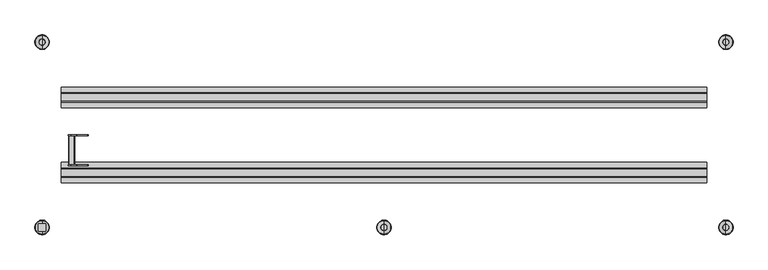
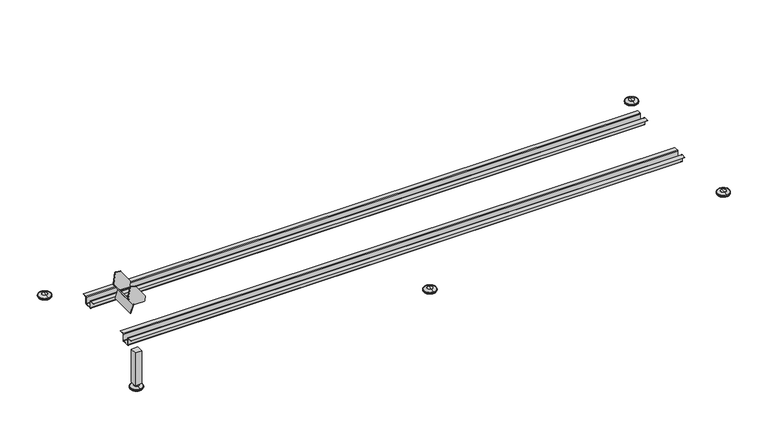
"""IFC4 building model written with IfcOpenShell, lengths in millimetres: proxy geometry."""

import ifcopenshell
import ifcopenshell.guid

model = None  # the IFC model being written
_history = None  # IfcOwnerHistory: only IFC2X3 demands one
_inside = {}  # id of a spatial element -> (the spatial element, [elements in it])
_under = {}  # id of a project, library or spatial element -> (it, [spatial elements below it])
_declared = {}  # id of a project -> (the project, [libraries it declares])
_typed = {}  # id of a type object -> (the type object, [elements of that type])
_made_of = {}  # id of a material, layer set ... -> (it, [elements and type objects made of it])


def new_model(schema):
    """Start an empty IFC model of exactly this schema.

    Asked for "IFC4X3", IfcOpenShell would pick the latest addendum, in which some entities
    have other attributes; the version numbers below select the first issue.
    IFC2X3 requires an IfcOwnerHistory on every rooted entity: one is made here for all.
    """
    global model, _history
    if schema == "IFC4X3":
        model = ifcopenshell.file(schema_version=(4, 3, 0, 0))
    else:
        model = ifcopenshell.file(schema=schema)
    _inside.clear()
    _under.clear()
    _declared.clear()
    _typed.clear()
    _made_of.clear()
    _history = None
    if model.schema == "IFC2X3":
        org = make("IfcOrganization", Name="unknown")
        user = make(
            "IfcPersonAndOrganization",
            ThePerson=make("IfcPerson", FamilyName="unknown"),
            TheOrganization=org,
        )
        app = make(
            "IfcApplication",
            ApplicationDeveloper=org,
            Version="unknown",
            ApplicationFullName="unknown",
            ApplicationIdentifier="unknown",
        )
        _history = make(
            "IfcOwnerHistory",
            OwningUser=user,
            OwningApplication=app,
            ChangeAction="ADDED",
            CreationDate=0,
        )
    return model


def make(cls, **values):
    """One entity of the class cls with the attributes given. An attribute that is None is left unset."""
    return model.create_entity(
        cls, **{name: value for name, value in values.items() if value is not None}
    )


def rooted(cls, **values):
    """An entity with a GlobalId (a new one), such as an element, a storey or a relation."""
    return make(cls, GlobalId=ifcopenshell.guid.new(), OwnerHistory=_history, **values)


def si_unit(unit_type, name, prefix=None):
    """IfcSIUnit, for example si_unit("LENGTHUNIT", "METRE", prefix="MILLI")."""
    return make("IfcSIUnit", UnitType=unit_type, Prefix=prefix, Name=name)


def assignment(units):
    """IfcUnitAssignment: the units of a project."""
    return None if units is None else make("IfcUnitAssignment", Units=units)


def point(xyz):
    """IfcCartesianPoint."""
    return None if xyz is None else make("IfcCartesianPoint", Coordinates=xyz)


def direction(xyz):
    """IfcDirection."""
    return None if xyz is None else make("IfcDirection", DirectionRatios=xyz)


def frame(location, z_axis=None, x_axis=None):
    """IfcAxis2Placement3D, a coordinate frame: its origin and axes. An axis left out is left unset."""
    return make(
        "IfcAxis2Placement3D",
        Location=point(location),
        Axis=direction(z_axis),
        RefDirection=direction(x_axis),
    )


def frame_2d(location, x_axis=None):
    """IfcAxis2Placement2D, a coordinate frame in the plane: its origin and x axis."""
    return make(
        "IfcAxis2Placement2D", Location=point(location), RefDirection=direction(x_axis)
    )


def origin():
    """The frame at (0, 0, 0) with its axes left unset."""
    return frame((0.0, 0.0, 0.0))


def place(relative_to, where):
    """IfcLocalPlacement: puts the frame where relative to a parent placement (None: the world)."""
    return make(
        "IfcLocalPlacement", PlacementRelTo=relative_to, RelativePlacement=where
    )


def context(
    kind, dimensions, precision=None, world=None, true_north=None, identifier=None
):
    """IfcGeometricRepresentationContext, for example the 3D "Model" context."""
    return make(
        "IfcGeometricRepresentationContext",
        ContextIdentifier=identifier,
        ContextType=kind,
        CoordinateSpaceDimension=dimensions,
        Precision=precision,
        WorldCoordinateSystem=world,
        TrueNorth=true_north,
    )


def project(units=None, contexts=None):
    """IfcProject with its units and contexts."""
    return rooted(
        "IfcProject",
        Name="project",
        RepresentationContexts=contexts,
        UnitsInContext=assignment(units),
    )


def spatial(cls, under=None, at=None, **own):
    """A site, building, storey or space (cls), placed at a placement, below another one or the project."""
    s = rooted(cls, ObjectPlacement=at, **own)
    if under is not None:
        _under.setdefault(under.id(), (under, []))[1].append(s)
    return s


def polyline(points):
    """IfcPolyline through the points."""
    return make("IfcPolyline", Points=[point(p) for p in points])


def circle_curve(where, radius):
    """IfcCircle in the frame where."""
    return make("IfcCircle", Position=where, Radius=radius)


def ellipse_curve(where, semi_axis1, semi_axis2):
    """IfcEllipse in the frame where."""
    return make(
        "IfcEllipse", Position=where, SemiAxis1=semi_axis1, SemiAxis2=semi_axis2
    )


def trimmed(basis, trim1, trim2, sense, master):
    """IfcTrimmedCurve: the piece of a basis curve between two trims."""
    return make(
        "IfcTrimmedCurve",
        BasisCurve=basis,
        Trim1=trim1,
        Trim2=trim2,
        SenseAgreement=sense,
        MasterRepresentation=master,
    )


def segment(curve, same_sense, transition):
    """IfcCompositeCurveSegment."""
    return make(
        "IfcCompositeCurveSegment",
        Transition=transition,
        SameSense=same_sense,
        ParentCurve=curve,
    )


def composite_curve(segments, self_intersect=None):
    """IfcCompositeCurve: segments joined end to end."""
    return make("IfcCompositeCurve", Segments=segments, SelfIntersect=self_intersect)


def outline(outer, holes=None, kind="AREA"):
    """IfcArbitraryClosedProfileDef: a profile drawn as a closed curve; with holes, ...WithVoids."""
    if holes is None:
        return make("IfcArbitraryClosedProfileDef", ProfileType=kind, OuterCurve=outer)
    return make(
        "IfcArbitraryProfileDefWithVoids",
        ProfileType=kind,
        OuterCurve=outer,
        InnerCurves=holes,
    )


def extrude(swept, where, along, depth):
    """IfcExtrudedAreaSolid: the profile swept, set in the frame where, extruded along a direction by depth."""
    return make(
        "IfcExtrudedAreaSolid",
        SweptArea=swept,
        Position=where,
        ExtrudedDirection=direction(along),
        Depth=depth,
    )


def shape(context_of_items, identifier, shape_type, items):
    """IfcShapeRepresentation: the items that make up one representation, for example the "Body"."""
    return make(
        "IfcShapeRepresentation",
        ContextOfItems=context_of_items,
        RepresentationIdentifier=identifier,
        RepresentationType=shape_type,
        Items=items,
    )


def source(mapping_origin, context_of_items, identifier, shape_type, items):
    """IfcRepresentationMap: a shape defined once, which mapped items show again and again."""
    return make(
        "IfcRepresentationMap",
        MappingOrigin=mapping_origin,
        MappedRepresentation=shape(context_of_items, identifier, shape_type, items),
    )


def transform(
    local_origin,
    x_axis=None,
    y_axis=None,
    z_axis=None,
    scale=None,
    scale2=None,
    scale3=None,
    uniform=True,
):
    """IfcCartesianTransformationOperator3D, or its non-uniform kind. x_axis, y_axis, z_axis: its Axis1, 2, 3."""
    if uniform:
        return make(
            "IfcCartesianTransformationOperator3D",
            Axis1=direction(x_axis),
            Axis2=direction(y_axis),
            LocalOrigin=point(local_origin),
            Scale=scale,
            Axis3=direction(z_axis),
        )
    return make(
        "IfcCartesianTransformationOperator3DnonUniform",
        Axis1=direction(x_axis),
        Axis2=direction(y_axis),
        LocalOrigin=point(local_origin),
        Scale=scale,
        Axis3=direction(z_axis),
        Scale2=scale2,
        Scale3=scale3,
    )


def mapped(mapping_source, mapping_target):
    """IfcMappedItem: shows the shape of a source again, moved by a transform."""
    return make(
        "IfcMappedItem", MappingSource=mapping_source, MappingTarget=mapping_target
    )


def made_of(thing, what):
    """Note that an element or type object is made of a material, layer set ...; save() writes the relation."""
    if what is not None:
        _made_of.setdefault(what.id(), (what, []))[1].append(thing)
    return thing


def element(
    cls,
    number,
    at=None,
    inside=None,
    cuts=None,
    type_object=None,
    material=None,
    context=None,
    identifier="Body",
    shape_type=None,
    held_by="IfcProductDefinitionShape",
    body=None,
    shapes=None,
    **own,
):
    """One element of the class cls, such as IfcWall. Its Tag is "e" and its number.

    at: its placement. inside: the storey or other place that contains it. cuts: it is an
    opening in that element (IfcRelVoidsElement). A single representation is given by context,
    identifier, shape_type and body (its items); several are given by shapes. held_by: the class
    of the entity that holds the representations. save() writes the other relations.
    """
    e = rooted(cls, Tag="e%d" % number, ObjectPlacement=at, **own)
    if body is not None:
        shapes = [shape(context, identifier, shape_type, body)]
    if shapes is not None:
        e.Representation = make(held_by, Representations=shapes)
    if inside is not None:
        _inside.setdefault(inside.id(), (inside, []))[1].append(e)
    if cuts is not None:
        rooted(
            "IfcRelVoidsElement", RelatingBuildingElement=cuts, RelatedOpeningElement=e
        )
    if type_object is not None:
        _typed.setdefault(type_object.id(), (type_object, []))[1].append(e)
    return made_of(e, material)


def aggregate(whole, parts):
    """IfcRelAggregates: a whole, such as a stair, and the parts it consists of."""
    return rooted("IfcRelAggregates", RelatingObject=whole, RelatedObjects=parts)


def save(model, path):
    """Write the relations noted so far, then the file.

    IfcRelAggregates (storeys below a building ...), IfcRelContainedInSpatialStructure (elements
    in a storey), IfcRelDefinesByType, IfcRelAssociatesMaterial and IfcRelDeclares: one each for
    every whole, place, type object, material and project.
    """
    for whole, parts in _under.values():
        aggregate(whole, parts)
    for where, things in _inside.values():
        rooted(
            "IfcRelContainedInSpatialStructure",
            RelatedElements=things,
            RelatingStructure=where,
        )
    for kind, things in _typed.values():
        rooted("IfcRelDefinesByType", RelatedObjects=things, RelatingType=kind)
    for what, things in _made_of.values():
        rooted("IfcRelAssociatesMaterial", RelatedObjects=things, RelatingMaterial=what)
    for by, libraries in _declared.values():
        rooted("IfcRelDeclares", RelatingContext=by, RelatedDefinitions=libraries)
    model.write(path)


def plane_surface(at):
    """IfcPlane: the flat surface through the origin of the frame at, square to its z axis."""
    return make("IfcPlane", Position=at)


def cylinder_surface(at, radius):
    """IfcCylindricalSurface: all points at the distance radius from the z axis of the frame at."""
    return make("IfcCylindricalSurface", Position=at, Radius=radius)


def revolved_surface(curve, axis_point, axis_direction):
    """IfcSurfaceOfRevolution: the curve turned about the line through axis_point along axis_direction."""
    return make(
        "IfcSurfaceOfRevolution",
        SweptCurve=make("IfcArbitraryOpenProfileDef", ProfileType="CURVE", Curve=curve),
        AxisPosition=make("IfcAxis1Placement", Location=point(axis_point), Axis=direction(axis_direction)),
    )


def advanced_brep(points, edges, surfaces, faces):
    """IfcAdvancedBrep: a solid bounded by faces that lie on surfaces and meet in shared edges.

    An edge is (start, end): straight between two places in points (the first is 0);
    or (start, end, curve); or (start, end, curve, False) where it runs against its curve.
    A face is (place in surfaces, loops), or (place, loops, False) where it looks against
    its surface's normal. A loop lists edges by number (the first is 1), with a minus sign
    where the edge is run from its end to its start. The first loop is the outer one.
    """
    corners = [point(p) for p in points]
    vertices = [make("IfcVertexPoint", VertexGeometry=c) for c in corners]
    made = []
    for start, end, *more in edges:
        made.append(
            make(
                "IfcEdgeCurve",
                EdgeStart=vertices[start],
                EdgeEnd=vertices[end],
                EdgeGeometry=more[0] if more else make("IfcPolyline", Points=[corners[start], corners[end]]),
                SameSense=more[1] if len(more) > 1 else True,
            )
        )
    hull = []
    for where, loops, *sense in faces:
        bounds = []
        for j, loop in enumerate(loops):
            ring = [make("IfcOrientedEdge", EdgeElement=made[abs(k) - 1], Orientation=k > 0) for k in loop]
            bounds.append(
                make(
                    "IfcFaceOuterBound" if j == 0 else "IfcFaceBound",
                    Bound=make("IfcEdgeLoop", EdgeList=ring),
                    Orientation=True,
                )
            )
        hull.append(make("IfcAdvancedFace", Bounds=bounds, FaceSurface=surfaces[where], SameSense=sense[0] if sense else True))
    return make("IfcAdvancedBrep", Outer=make("IfcClosedShell", CfsFaces=hull))


def parking_1503d204(model_context):
    return source(origin(), model_context, "Body", "SolidModel", [
        advanced_brep(
        [(0.0, -332.0, 0.0), (0.0, -286.0, 0.0), (0.0, -309.0, 0.0), (0.0, -333.0, 1.0), (0.0, -285.0, 1.0), (0.0, -333.0, 4.3195147), (0.0, -285.0, 4.3195147), (0.0, -332.364942, 5.250545), (0.0, -285.635058, 5.250545), (0.0, -320.6881438, 9.8275756), (0.0, -297.3118562, 9.8275756), (0.0, -319.7757888, 10.0), (0.0, -298.2242112, 10.0), (0.0, -309.0, 10.0)],
        [
            (0, 1, circle_curve(frame((0.0, -309.0, 0.0), z_axis=(0.0, 0.0, -1.0), x_axis=(0.0, 1.0, 0.0)), 23.0)),
            (1, 2),
            (2, 0),
            (1, 0, circle_curve(frame((0.0, -309.0, 0.0), z_axis=(0.0, 0.0, -1.0), x_axis=(0.0, 1.0, 0.0)), 23.0)),
            (3, 4, circle_curve(frame((0.0, -309.0, 1.0), z_axis=(0.0, 0.0, -1.0), x_axis=(0.0, 1.0, 0.0)), 24.0)),
            (4, 1, circle_curve(frame((0.0, -286.0, 1.0), z_axis=(-1.0, 0.0, 0.0), x_axis=(0.0, -1.0, 0.0)), 1.0)),
            (0, 3, circle_curve(frame((0.0, -332.0, 1.0), z_axis=(-1.0, 0.0, 0.0), x_axis=(0.0, 1.0, 0.0)), 1.0)),
            (4, 3, circle_curve(frame((0.0, -309.0, 1.0), z_axis=(0.0, 0.0, -1.0), x_axis=(0.0, 1.0, 0.0)), 24.0)),
            (5, 6, circle_curve(frame((0.0, -309.0, 4.3195147), z_axis=(0.0, 0.0, -1.0), x_axis=(0.0, 1.0, 0.0)), 24.0)),
            (6, 4),
            (3, 5),
            (6, 5, circle_curve(frame((0.0, -309.0, 4.3195147), z_axis=(0.0, 0.0, -1.0), x_axis=(0.0, 1.0, 0.0)), 24.0)),
            (7, 8, circle_curve(frame((0.0, -309.0, 5.250545), z_axis=(0.0, 0.0, -1.0), x_axis=(0.0, 1.0, 0.0)), 23.364942)),
            (8, 6, circle_curve(frame((0.0, -286.0, 4.3195147), z_axis=(-1.0, 0.0, 0.0), x_axis=(0.0, -1.0, 0.0)), 1.0)),
            (5, 7, circle_curve(frame((0.0, -332.0, 4.3195147), z_axis=(-1.0, 0.0, 0.0), x_axis=(0.0, 1.0, 0.0)), 1.0)),
            (8, 7, circle_curve(frame((0.0, -309.0, 5.250545), z_axis=(0.0, 0.0, -1.0), x_axis=(0.0, 1.0, 0.0)), 23.364942)),
            (9, 10, circle_curve(frame((0.0, -309.0, 9.8275756), z_axis=(0.0, 0.0, -1.0), x_axis=(0.0, 1.0, 0.0)), 11.6881438)),
            (10, 8),
            (7, 9),
            (10, 9, circle_curve(frame((0.0, -309.0, 9.8275756), z_axis=(0.0, 0.0, -1.0), x_axis=(0.0, 1.0, 0.0)), 11.6881438)),
            (11, 12, circle_curve(frame((0.0, -309.0, 10.0), z_axis=(0.0, 0.0, -1.0), x_axis=(0.0, 1.0, 0.0)), 10.7757888)),
            (12, 10, circle_curve(frame((0.0, -298.2242112, 7.5), z_axis=(-1.0, 0.0, 0.0), x_axis=(0.0, -1.0, 0.0)), 2.5)),
            (9, 11, circle_curve(frame((0.0, -319.7757888, 7.5), z_axis=(-1.0, 0.0, 0.0), x_axis=(0.0, 1.0, 0.0)), 2.5)),
            (12, 11, circle_curve(frame((0.0, -309.0, 10.0), z_axis=(0.0, 0.0, -1.0), x_axis=(0.0, 1.0, 0.0)), 10.7757888)),
            (13, 12),
            (11, 13),
        ],
        [
            plane_surface(frame((0.0, -309.0, 0.0), z_axis=(0.0, 0.0, -1.0), x_axis=(0.0, 1.0, 0.0))),
            revolved_surface(trimmed(ellipse_curve(frame((0.0, -286.0, 1.0), z_axis=(1.0, 0.0, 0.0), x_axis=(0.0, -1.0, 0.0)), 1.0, 1.0), [point((0.0, -286.0, 0.0))], [point((0.0, -285.0, 1.0))], True, "CARTESIAN"), (0.0, -309.0, 17.9), (0.0, 0.0, 1.0)),
            cylinder_surface(frame((0.0, -309.0, 17.9), z_axis=(0.0, 0.0, 1.0), x_axis=(0.0, 1.0, 0.0)), 24.0),
            revolved_surface(trimmed(ellipse_curve(frame((0.0, -286.0, 4.3195147), z_axis=(1.0, 0.0, 0.0), x_axis=(0.0, -1.0, 0.0)), 1.0, 1.0), [point((0.0, -285.0, 4.3195147))], [point((0.0, -285.635058, 5.250545))], True, "CARTESIAN"), (0.0, -309.0, 17.9), (0.0, 0.0, 1.0)),
            revolved_surface(polyline([(0.0, -285.635058, 5.250545), (0.0, -297.3118562, 9.8275756)]), (0.0, -309.0, 17.9), (0.0, 0.0, 1.0)),
            revolved_surface(trimmed(ellipse_curve(frame((0.0, -298.2242112, 7.5), z_axis=(1.0, 0.0, 0.0), x_axis=(0.0, -1.0, 0.0)), 2.5, 2.5), [point((0.0, -297.3118562, 9.8275756))], [point((0.0, -298.2242112, 10.0))], True, "CARTESIAN"), (0.0, -309.0, 17.9), (0.0, 0.0, 1.0)),
            plane_surface(frame((0.0, -309.0, 10.0), z_axis=(0.0, 0.0, 1.0), x_axis=(0.0, 1.0, 0.0))),
        ],
        [
            (0, [[1, 2, 3]]),
            (0, [[4, -3, -2]]),
            (1, [[5, 6, -1, 7]]),
            (1, [[8, -7, -4, -6]]),
            (2, [[9, 10, -5, 11]]),
            (2, [[12, -11, -8, -10]]),
            (3, [[13, 14, -9, 15]]),
            (3, [[16, -15, -12, -14]]),
            (4, [[17, 18, -13, 19]]),
            (4, [[20, -19, -16, -18]]),
            (5, [[21, 22, -17, 23]]),
            (5, [[24, -23, -20, -22]]),
            (6, [[25, -21, 26]]),
            (6, [[-26, -24, -25]]),
        ],
    ),
        extrude(outline(polyline([(-1125.0, -296.5), (-1125.0, -321.5), (-1150.0, -321.5), (-1150.0, -296.5), (-1125.0, -296.5)])), frame((0.0, 0.0, 17.9), z_axis=(0.0, 0.0, 1.0), x_axis=(1.0, 0.0, 0.0)), (0.0, 0.0, 1.0), 134.65),
        advanced_brep(
        [(-1031.4566604, -103.0, 176.1055359), (-1031.330887, -103.0, 175.1906435), (-1042.163358, -103.0, 144.8907715), (-1041.5583673, -103.0, 143.6124968), (-1040.1459182, -103.0, 143.1075338), (-1028.1579667, -103.0, 176.6394396), (-1027.2402319, -103.0, 175.3445984), (-1025.5970785, -103.0, 174.501132), (-989.2973293, -103.0, 174.7086743), (-987.3290745, -103.0, 176.4243368), (-984.5898162, -103.0, 195.4985127), (-984.9377872, -103.0, 196.9393185), (-1021.2239932, -103.0, 248.1358871), (-1022.5196822, -103.0, 248.9509552), (-1040.6431091, -103.0, 252.0398703), (-1042.9507077, -103.0, 250.404331), (-1050.0789734, -103.0, 208.5810382), (-1049.7391231, -103.0, 207.0885076), (-1047.0377839, -103.0, 203.2771614), (-1049.4853619, -103.0, 201.54241), (-1031.4566604, -1.0, 176.1055359), (-1049.4853619, -1.0, 201.54241), (-1047.0377839, -1.0, 203.2771614), (-1049.7391231, -1.0, 207.0885076), (-1050.0789734, -1.0, 208.5810382), (-1042.9507077, -1.0, 250.404331), (-1040.6431091, -1.0, 252.0398703), (-1022.5196822, -1.0, 248.9509552), (-1021.2239932, -1.0, 248.1358871), (-984.9377872, -1.0, 196.9393185), (-984.5898162, -1.0, 195.4985127), (-987.3290745, -1.0, 176.4243368), (-989.2973293, -1.0, 174.7086743), (-1025.5970785, -1.0, 174.501132), (-1027.2402319, -1.0, 175.3445984), (-1028.1579667, -1.0, 176.6394396), (-1040.1459182, -1.0, 143.1075338), (-1041.5583673, -1.0, 143.6124968), (-1042.163358, -1.0, 144.8907715), (-1031.330887, -1.0, 175.1906435), (-1028.1579667, -3.5, 176.6394396), (-1028.1579667, -100.5, 176.6394396), (-1047.0377839, -3.5, 203.2771614), (-1047.0377839, -100.5, 203.2771614), (-1027.2402319, -3.5, 175.3445984), (-1025.5970785, -3.5, 174.501132), (-989.2973293, -3.5, 174.7086743), (-987.3290745, -3.5, 176.4243368), (-984.5898162, -3.5, 195.4985127), (-984.9377872, -3.5, 196.9393185), (-1021.2239932, -3.5, 248.1358871), (-1022.5196822, -3.5, 248.9509552), (-1040.6431091, -3.5, 252.0398703), (-1042.9507077, -3.5, 250.404331), (-1050.0789734, -3.5, 208.5810382), (-1049.7391231, -3.5, 207.0885076), (-1049.7391231, -100.5, 207.0885076), (-1050.0789734, -100.5, 208.5810382), (-1042.9507077, -100.5, 250.404331), (-1040.6431091, -100.5, 252.0398703), (-1022.5196822, -100.5, 248.9509552), (-1021.2239932, -100.5, 248.1358871), (-984.9377872, -100.5, 196.9393185), (-984.5898162, -100.5, 195.4985127), (-987.3290745, -100.5, 176.4243368), (-989.2973293, -100.5, 174.7086743), (-1025.5970785, -100.5, 174.501132), (-1027.2402319, -100.5, 175.3445984)],
        [
            (0, 1, circle_curve(frame((-1032.2725197, -103.0, 175.5272855), z_axis=(0.0, 1.0, 0.0), x_axis=(1.0, 0.0, 0.0)), 1.0)),
            (1, 2),
            (2, 3, circle_curve(frame((-1041.2217253, -103.0, 144.5541295), z_axis=(0.0, -1.0, 0.0), x_axis=(1.0, 0.0, 0.0)), 1.0)),
            (3, 4),
            (4, 5),
            (5, 6),
            (6, 7, circle_curve(frame((-1025.6085132, -103.0, 176.5010993), z_axis=(0.0, -1.0, 0.0), x_axis=(-0.4566697015537781, 0.0, -0.8896363210226881)), 2.0)),
            (7, 8),
            (8, 9, circle_curve(frame((-989.3087641, -103.0, 176.7086416), z_axis=(0.0, -1.0, 0.0), x_axis=(0.6570803591515552, 0.0, -0.7538205367441665)), 2.0)),
            (9, 10),
            (10, 11, circle_curve(frame((-986.5695058, -103.0, 195.7828176), z_axis=(0.0, -1.0, 0.0), x_axis=(0.9720529269865053, 0.0, 0.2347618093663618)), 2.0)),
            (11, 12),
            (12, 13, circle_curve(frame((-1022.8557118, -103.0, 246.9793862), z_axis=(0.0, -1.0, 0.0), x_axis=(0.5324688498010414, 0.0, 0.8464495992033761)), 2.0)),
            (13, 14),
            (14, 15, circle_curve(frame((-1040.9791387, -103.0, 250.0683014), z_axis=(0.0, -1.0, 0.0), x_axis=(-0.5782504529370286, 0.0, 0.8158593099782101)), 2.0)),
            (15, 16),
            (16, 17, circle_curve(frame((-1048.1074044, -103.0, 208.2450085), z_axis=(0.0, -1.0, 0.0), x_axis=(-0.9750425859942595, 0.0, -0.22201791706442733)), 2.0)),
            (17, 18),
            (18, 19),
            (19, 0),
            (20, 21),
            (21, 22),
            (22, 23),
            (23, 24, circle_curve(frame((-1048.1074044, -1.0, 208.2450085), z_axis=(0.0, 1.0, 0.0), x_axis=(-0.9750425859942596, 0.0, -0.22201791706442736)), 2.0)),
            (24, 25),
            (25, 26, circle_curve(frame((-1040.9791387, -1.0, 250.0683014), z_axis=(0.0, 1.0, 0.0), x_axis=(-0.5782504529370287, 0.0, 0.8158593099782102)), 2.0)),
            (26, 27),
            (27, 28, circle_curve(frame((-1022.8557118, -1.0, 246.9793862), z_axis=(0.0, 1.0, 0.0), x_axis=(0.5324688498010414, 0.0, 0.8464495992033761)), 2.0)),
            (28, 29),
            (29, 30, circle_curve(frame((-986.5695058, -1.0, 195.7828176), z_axis=(0.0, 1.0, 0.0), x_axis=(0.9720529269865053, 0.0, 0.2347618093663618)), 2.0)),
            (30, 31),
            (31, 32, circle_curve(frame((-989.3087641, -1.0, 176.7086416), z_axis=(0.0, 1.0, 0.0), x_axis=(0.6570803591515552, 0.0, -0.7538205367441665)), 2.0)),
            (32, 33),
            (33, 34, circle_curve(frame((-1025.6085132, -1.0, 176.5010993), z_axis=(0.0, 1.0, 0.0), x_axis=(-0.4566697015537781, 0.0, -0.8896363210226881)), 2.0)),
            (34, 35),
            (35, 36),
            (36, 37),
            (37, 38, circle_curve(frame((-1041.2217253, -1.0, 144.5541295), z_axis=(0.0, 1.0, 0.0), x_axis=(1.0, 0.0, 0.0)), 1.0)),
            (38, 39),
            (39, 20, circle_curve(frame((-1032.2725197, -1.0, 175.5272855), z_axis=(0.0, -1.0, 0.0), x_axis=(1.0, 0.0, 0.0)), 1.0)),
            (0, 20),
            (39, 1),
            (38, 2),
            (37, 3),
            (36, 4),
            (35, 40),
            (40, 41),
            (41, 5),
            (40, 42),
            (42, 43),
            (43, 41),
            (18, 43),
            (42, 22),
            (21, 19),
            (44, 45, circle_curve(frame((-1025.6085132, -3.5, 176.5010993), z_axis=(0.0, -1.0, 0.0), x_axis=(-0.4566697015537781, 0.0, -0.8896363210226881)), 2.0)),
            (45, 46),
            (46, 47, circle_curve(frame((-989.3087641, -3.5, 176.7086416), z_axis=(0.0, -1.0, 0.0), x_axis=(0.6570803591515552, 0.0, -0.7538205367441665)), 2.0)),
            (47, 48),
            (48, 49, circle_curve(frame((-986.5695058, -3.5, 195.7828176), z_axis=(0.0, -1.0, 0.0), x_axis=(0.9720529269865053, 0.0, 0.2347618093663618)), 2.0)),
            (49, 50),
            (50, 51, circle_curve(frame((-1022.8557118, -3.5, 246.9793862), z_axis=(0.0, -1.0, 0.0), x_axis=(0.5324688498010414, 0.0, 0.8464495992033761)), 2.0)),
            (51, 52),
            (52, 53, circle_curve(frame((-1040.9791387, -3.5, 250.0683014), z_axis=(0.0, -1.0, 0.0), x_axis=(-0.5782504529370287, 0.0, 0.8158593099782102)), 2.0)),
            (53, 54),
            (54, 55, circle_curve(frame((-1048.1074044, -3.5, 208.2450085), z_axis=(0.0, -1.0, 0.0), x_axis=(-0.9750425859942596, 0.0, -0.22201791706442736)), 2.0)),
            (55, 42),
            (40, 44),
            (44, 34),
            (33, 45),
            (32, 46),
            (31, 47),
            (30, 48),
            (29, 49),
            (28, 50),
            (27, 51),
            (26, 52),
            (25, 53),
            (24, 54),
            (23, 55),
            (56, 57, circle_curve(frame((-1048.1074044, -100.5, 208.2450085), z_axis=(0.0, 1.0, 0.0), x_axis=(-0.9750425859942595, 0.0, -0.22201791706442733)), 2.0)),
            (57, 58),
            (58, 59, circle_curve(frame((-1040.9791387, -100.5, 250.0683014), z_axis=(0.0, 1.0, 0.0), x_axis=(-0.5782504529370286, 0.0, 0.8158593099782101)), 2.0)),
            (59, 60),
            (60, 61, circle_curve(frame((-1022.8557118, -100.5, 246.9793862), z_axis=(0.0, 1.0, 0.0), x_axis=(0.5324688498010414, 0.0, 0.8464495992033761)), 2.0)),
            (61, 62),
            (62, 63, circle_curve(frame((-986.5695058, -100.5, 195.7828176), z_axis=(0.0, 1.0, 0.0), x_axis=(0.9720529269865053, 0.0, 0.2347618093663618)), 2.0)),
            (63, 64),
            (64, 65, circle_curve(frame((-989.3087641, -100.5, 176.7086416), z_axis=(0.0, 1.0, 0.0), x_axis=(0.6570803591515552, 0.0, -0.7538205367441665)), 2.0)),
            (65, 66),
            (66, 67, circle_curve(frame((-1025.6085132, -100.5, 176.5010993), z_axis=(0.0, 1.0, 0.0), x_axis=(-0.4566697015537781, 0.0, -0.8896363210226881)), 2.0)),
            (67, 41),
            (43, 56),
            (6, 67),
            (66, 7),
            (65, 8),
            (64, 9),
            (63, 10),
            (62, 11),
            (61, 12),
            (60, 13),
            (59, 14),
            (58, 15),
            (57, 16),
            (56, 17),
        ],
        [
            plane_surface(frame((-1031.2725197, -103.0, 175.5272855), z_axis=(0.0, -1.0, 0.0), x_axis=(0.0, 0.0, -1.0))),
            plane_surface(frame((-1031.2725197, -1.0, 175.5272855), z_axis=(0.0, 1.0, 0.0), x_axis=(0.0, 0.0, 1.0))),
            revolved_surface(polyline([(-1031.2725197, -1.0, 175.5272855), (-1031.2725197, -103.0, 175.5272855)]), (-1032.2725197, -1.0, 175.5272855), (0.0, 1.0, 0.0)),
            plane_surface(frame((-1031.330887, -103.0, 175.1906435), z_axis=(-0.9416327162155284, 0.0, 0.3366419875068562), x_axis=(0.0, 1.0, 0.0))),
            cylinder_surface(frame((-1041.2217253, -1.0, 144.5541295), z_axis=(0.0, -1.0, 0.0), x_axis=(1.0, 0.0, 0.0)), 1.0),
            plane_surface(frame((-1041.5583673, -103.0, 143.6124968), z_axis=(-0.33664198750687097, 0.0, -0.9416327162155231), x_axis=(0.0, 1.0, 0.0))),
            plane_surface(frame((-1040.1459182, -103.0, 143.1075338), z_axis=(0.941632716215527, 0.0, -0.33664198750686003), x_axis=(0.0, 1.0, 0.0))),
            plane_surface(frame((-1028.1579667, -103.0, 176.6394396), z_axis=(0.8158593099782089, 0.0, 0.5782504529370305), x_axis=(0.0, 1.0, 0.0))),
            plane_surface(frame((-1047.0377839, -103.0, 203.2771614), z_axis=(-0.5782504529370297, 0.0, 0.8158593099782094), x_axis=(0.0, 1.0, 0.0))),
            plane_surface(frame((-1049.4853619, -103.0, 201.54241), z_axis=(-0.8158593099782108, 0.0, -0.5782504529370279), x_axis=(0.0, 1.0, 0.0))),
            plane_surface(frame((-1026.5218526, -3.5, 174.7218267), z_axis=(0.0, -1.0, 0.0), x_axis=(0.889636321022688, 0.0, -0.4566697015537781))),
            cylinder_surface(frame((-1025.6085132, -1.0, 176.5010993), z_axis=(0.0, -1.0000000000000002, 0.0), x_axis=(-0.4566697015537781, 0.0, -0.8896363210226881)), 2.0),
            plane_surface(frame((-1025.5970785, -3.5, 174.501132), z_axis=(0.005717365053278804, 0.0, -0.9999836557348564), x_axis=(0.0, 1.0, 0.0))),
            cylinder_surface(frame((-989.3087641, -1.0, 176.7086416), z_axis=(0.0, -1.0, 0.0), x_axis=(0.6570803591515552, 0.0, -0.7538205367441665)), 2.0),
            plane_surface(frame((-987.3290745, -3.5, 176.4243368), z_axis=(0.9898447789861541, 0.0, -0.14215243055907198), x_axis=(0.0, 1.0, 0.0))),
            cylinder_surface(frame((-986.5695058, -1.0, 195.7828176), z_axis=(0.0, -1.0, 0.0), x_axis=(0.9720529269865053, 0.0, 0.2347618093663618)), 2.0),
            plane_surface(frame((-984.9377872, -3.5, 196.9393185), z_axis=(0.8158593099782079, 0.0, 0.578250452937032), x_axis=(0.0, 1.0, 0.0))),
            cylinder_surface(frame((-1022.8557118, -1.0, 246.9793862), z_axis=(0.0, -1.0, 0.0), x_axis=(0.5324688498010414, 0.0, 0.8464495992033761)), 2.0),
            plane_surface(frame((-1022.5196822, -3.5, 248.9509552), z_axis=(0.16801483408380705, 0.0, 0.985784467075735), x_axis=(0.0, 1.0, 0.0))),
            cylinder_surface(frame((-1040.9791387, -1.0, 250.0683014), z_axis=(0.0, -1.0, 0.0), x_axis=(-0.5782504529370287, 0.0, 0.8158593099782102)), 2.0),
            plane_surface(frame((-1042.9507077, -3.5, 250.404331), z_axis=(-0.9857844670757349, 0.0, 0.1680148340838081), x_axis=(0.0, 1.0, 0.0))),
            cylinder_surface(frame((-1048.1074044, -1.0, 208.2450085), z_axis=(0.0, -1.0, 0.0), x_axis=(-0.9750425859942596, 0.0, -0.22201791706442736)), 2.0),
            plane_surface(frame((-1049.7391231, -3.5, 207.0885076), z_axis=(-0.8158593099782115, 0.0, -0.5782504529370269), x_axis=(0.0, 1.0, 0.0))),
            plane_surface(frame((-1026.5218526, -100.5, 174.7218267), z_axis=(0.0, 1.0, 0.0), x_axis=(-0.889636321022688, 0.0, 0.4566697015537781))),
            cylinder_surface(frame((-1025.6085132, -100.5, 176.5010993), z_axis=(0.0, -1.0000000000000002, 0.0), x_axis=(-0.4566697015537781, 0.0, -0.8896363210226881)), 2.0),
            plane_surface(frame((-1025.5970785, -103.0, 174.501132), z_axis=(0.005717365053278804, 0.0, -0.9999836557348564), x_axis=(0.0, 1.0, 0.0))),
            cylinder_surface(frame((-989.3087641, -100.5, 176.7086416), z_axis=(0.0, -0.9999999999999999, 0.0), x_axis=(0.6570803591515552, 0.0, -0.7538205367441665)), 2.0),
            plane_surface(frame((-987.3290745, -103.0, 176.4243368), z_axis=(0.9898447789861541, 0.0, -0.14215243055907198), x_axis=(0.0, 1.0, 0.0))),
            cylinder_surface(frame((-986.5695058, -100.5, 195.7828176), z_axis=(0.0, -1.0, 0.0), x_axis=(0.9720529269865053, 0.0, 0.2347618093663618)), 2.0),
            plane_surface(frame((-984.9377872, -103.0, 196.9393185), z_axis=(0.815859309978208, 0.0, 0.5782504529370317), x_axis=(0.0, 1.0, 0.0))),
            cylinder_surface(frame((-1022.8557118, -100.5, 246.9793862), z_axis=(0.0, -1.0, 0.0), x_axis=(0.5324688498010414, 0.0, 0.8464495992033761)), 2.0),
            plane_surface(frame((-1022.5196822, -103.0, 248.9509552), z_axis=(0.1680148340838065, 0.0, 0.9857844670757351), x_axis=(0.0, 1.0, 0.0))),
            cylinder_surface(frame((-1040.9791387, -100.5, 250.0683014), z_axis=(0.0, -1.0, 0.0), x_axis=(-0.5782504529370286, 0.0, 0.8158593099782101)), 2.0),
            plane_surface(frame((-1042.9507077, -103.0, 250.404331), z_axis=(-0.9857844670757349, 0.0, 0.1680148340838081), x_axis=(0.0, 1.0, 0.0))),
            cylinder_surface(frame((-1048.1074044, -100.5, 208.2450085), z_axis=(0.0, -1.0, 0.0), x_axis=(-0.9750425859942595, 0.0, -0.22201791706442733)), 2.0),
            plane_surface(frame((-1049.7391231, -103.0, 207.0885076), z_axis=(-0.8158593099782115, 0.0, -0.5782504529370269), x_axis=(0.0, 1.0, 0.0))),
        ],
        [
            (0, [[1, 2, 3, 4, 5, 6, 7, 8, 9, 10, 11, 12, 13, 14, 15, 16, 17, 18, 19, 20]]),
            (1, [[21, 22, 23, 24, 25, 26, 27, 28, 29, 30, 31, 32, 33, 34, 35, 36, 37, 38, 39, 40]]),
            (2, [[-1, 41, -40, 42]]),
            (3, [[-2, -42, -39, 43]]),
            (4, [[-3, -43, -38, 44]]),
            (5, [[-4, -44, -37, 45]]),
            (6, [[-5, -45, -36, 46, 47, 48]]),
            (7, [[49, 50, 51, -47]]),
            (8, [[-19, 52, -50, 53, -22, 54]]),
            (9, [[-20, -54, -21, -41]]),
            (10, [[55, 56, 57, 58, 59, 60, 61, 62, 63, 64, 65, 66, -49, 67]]),
            (11, [[-55, 68, -34, 69]]),
            (12, [[-56, -69, -33, 70]]),
            (13, [[-57, -70, -32, 71]]),
            (14, [[-58, -71, -31, 72]]),
            (15, [[-59, -72, -30, 73]]),
            (16, [[-60, -73, -29, 74]]),
            (17, [[-61, -74, -28, 75]]),
            (18, [[-62, -75, -27, 76]]),
            (19, [[-63, -76, -26, 77]]),
            (20, [[-64, -77, -25, 78]]),
            (21, [[-65, -78, -24, 79]]),
            (22, [[-68, -67, -46, -35]]),
            (22, [[-79, -23, -53, -66]]),
            (23, [[80, 81, 82, 83, 84, 85, 86, 87, 88, 89, 90, 91, -51, 92]]),
            (24, [[-7, 93, -90, 94]]),
            (25, [[-8, -94, -89, 95]]),
            (26, [[-9, -95, -88, 96]]),
            (27, [[-10, -96, -87, 97]]),
            (28, [[-11, -97, -86, 98]]),
            (29, [[-12, -98, -85, 99]]),
            (30, [[-13, -99, -84, 100]]),
            (31, [[-14, -100, -83, 101]]),
            (32, [[-15, -101, -82, 102]]),
            (33, [[-16, -102, -81, 103]]),
            (34, [[-17, -103, -80, 104]]),
            (35, [[-93, -6, -48, -91]]),
            (35, [[-104, -92, -52, -18]]),
        ],
    ),
        advanced_brep(
        [(1137.5, 330.5, 0.0), (1137.5, 284.5, 0.0), (1137.5, 307.5, 0.0), (1137.5, 331.5, 1.0), (1137.5, 283.5, 1.0), (1137.5, 331.5, 4.3195147), (1137.5, 283.5, 4.3195147), (1137.5, 330.864942, 5.250545), (1137.5, 284.135058, 5.250545), (1137.5, 319.1881438, 9.8275756), (1137.5, 295.8118562, 9.8275756), (1137.5, 318.2757888, 10.0), (1137.5, 296.7242112, 10.0), (1137.5, 307.5, 10.0)],
        [
            (0, 1, circle_curve(frame((1137.5, 307.5, 0.0), z_axis=(0.0, 0.0, -1.0), x_axis=(0.0, -1.0, 0.0)), 23.0)),
            (1, 2),
            (2, 0),
            (1, 0, circle_curve(frame((1137.5, 307.5, 0.0), z_axis=(0.0, 0.0, -1.0), x_axis=(0.0, -1.0, 0.0)), 23.0)),
            (3, 4, circle_curve(frame((1137.5, 307.5, 1.0), z_axis=(0.0, 0.0, -1.0), x_axis=(0.0, -1.0, 0.0)), 24.0)),
            (4, 1, circle_curve(frame((1137.5, 284.5, 1.0), z_axis=(1.0, 0.0, 0.0), x_axis=(0.0, 1.0, 0.0)), 1.0)),
            (0, 3, circle_curve(frame((1137.5, 330.5, 1.0), z_axis=(1.0, 0.0, 0.0), x_axis=(0.0, -1.0, 0.0)), 1.0)),
            (4, 3, circle_curve(frame((1137.5, 307.5, 1.0), z_axis=(0.0, 0.0, -1.0), x_axis=(0.0, -1.0, 0.0)), 24.0)),
            (5, 6, circle_curve(frame((1137.5, 307.5, 4.3195147), z_axis=(0.0, 0.0, -1.0), x_axis=(0.0, -1.0, 0.0)), 24.0)),
            (6, 4),
            (3, 5),
            (6, 5, circle_curve(frame((1137.5, 307.5, 4.3195147), z_axis=(0.0, 0.0, -1.0), x_axis=(0.0, -1.0, 0.0)), 24.0)),
            (7, 8, circle_curve(frame((1137.5, 307.5, 5.250545), z_axis=(0.0, 0.0, -1.0), x_axis=(0.0, -1.0, 0.0)), 23.364942)),
            (8, 6, circle_curve(frame((1137.5, 284.5, 4.3195147), z_axis=(1.0, 0.0, 0.0), x_axis=(0.0, 1.0, 0.0)), 1.0)),
            (5, 7, circle_curve(frame((1137.5, 330.5, 4.3195147), z_axis=(1.0, 0.0, 0.0), x_axis=(0.0, -1.0, 0.0)), 1.0)),
            (8, 7, circle_curve(frame((1137.5, 307.5, 5.250545), z_axis=(0.0, 0.0, -1.0), x_axis=(0.0, -1.0, 0.0)), 23.364942)),
            (9, 10, circle_curve(frame((1137.5, 307.5, 9.8275756), z_axis=(0.0, 0.0, -1.0), x_axis=(0.0, -1.0, 0.0)), 11.6881438)),
            (10, 8),
            (7, 9),
            (10, 9, circle_curve(frame((1137.5, 307.5, 9.8275756), z_axis=(0.0, 0.0, -1.0), x_axis=(0.0, -1.0, 0.0)), 11.6881438)),
            (11, 12, circle_curve(frame((1137.5, 307.5, 10.0), z_axis=(0.0, 0.0, -1.0), x_axis=(0.0, -1.0, 0.0)), 10.7757888)),
            (12, 10, circle_curve(frame((1137.5, 296.7242112, 7.5), z_axis=(1.0, 0.0, 0.0), x_axis=(0.0, 1.0, 0.0)), 2.5)),
            (9, 11, circle_curve(frame((1137.5, 318.2757888, 7.5), z_axis=(1.0, 0.0, 0.0), x_axis=(0.0, -1.0, 0.0)), 2.5)),
            (12, 11, circle_curve(frame((1137.5, 307.5, 10.0), z_axis=(0.0, 0.0, -1.0), x_axis=(0.0, -1.0, 0.0)), 10.7757888)),
            (13, 12),
            (11, 13),
        ],
        [
            plane_surface(frame((1137.5, 307.5, 0.0), z_axis=(0.0, 0.0, -1.0), x_axis=(0.0, -1.0, 0.0))),
            revolved_surface(trimmed(ellipse_curve(frame((1137.5, 284.5, 1.0), z_axis=(-1.0, 0.0, 0.0), x_axis=(0.0, 1.0, 0.0)), 1.0, 1.0), [point((1137.5, 284.5, 0.0))], [point((1137.5, 283.5, 1.0))], True, "CARTESIAN"), (1137.5, 307.5, 17.9), (0.0, 0.0, 1.0)),
            cylinder_surface(frame((1137.5, 307.5, 17.9), z_axis=(0.0, 0.0, 1.0), x_axis=(0.0, -1.0, 0.0)), 24.0),
            revolved_surface(trimmed(ellipse_curve(frame((1137.5, 284.5, 4.3195147), z_axis=(-1.0, 0.0, 0.0), x_axis=(0.0, 1.0, 0.0)), 1.0, 1.0), [point((1137.5, 283.5, 4.3195147))], [point((1137.5, 284.135058, 5.250545))], True, "CARTESIAN"), (1137.5, 307.5, 17.9), (0.0, 0.0, 1.0)),
            revolved_surface(polyline([(1137.5, 284.135058, 5.250545), (1137.5, 295.8118562, 9.8275756)]), (1137.5, 307.5, 17.9), (0.0, 0.0, 1.0)),
            revolved_surface(trimmed(ellipse_curve(frame((1137.5, 296.7242112, 7.5), z_axis=(-1.0, 0.0, 0.0), x_axis=(0.0, 1.0, 0.0)), 2.5, 2.5), [point((1137.5, 295.8118562, 9.8275756))], [point((1137.5, 296.7242112, 10.0))], True, "CARTESIAN"), (1137.5, 307.5, 17.9), (0.0, 0.0, 1.0)),
            plane_surface(frame((1137.5, 307.5, 10.0), z_axis=(0.0, 0.0, 1.0), x_axis=(0.0, -1.0, 0.0))),
        ],
        [
            (0, [[1, 2, 3]]),
            (0, [[4, -3, -2]]),
            (1, [[5, 6, -1, 7]]),
            (1, [[8, -7, -4, -6]]),
            (2, [[9, 10, -5, 11]]),
            (2, [[12, -11, -8, -10]]),
            (3, [[13, 14, -9, 15]]),
            (3, [[16, -15, -12, -14]]),
            (4, [[17, 18, -13, 19]]),
            (4, [[20, -19, -16, -18]]),
            (5, [[21, 22, -17, 23]]),
            (5, [[24, -23, -20, -22]]),
            (6, [[25, -21, 26]]),
            (6, [[-26, -24, -25]]),
        ],
    ),
        advanced_brep(
        [(-1137.5, 307.5, 0.0), (-1137.5, 284.5, 0.0), (-1137.5, 330.5, 0.0), (-1137.5, 283.5, 1.0), (-1137.5, 331.5, 1.0), (-1137.5, 283.5, 4.3195147), (-1137.5, 331.5, 4.3195147), (-1137.5, 284.135058, 5.250545), (-1137.5, 330.864942, 5.250545), (-1137.5, 295.8118562, 9.8275756), (-1137.5, 319.1881438, 9.8275756), (-1137.5, 296.7242112, 10.0), (-1137.5, 318.2757888, 10.0), (-1137.5, 307.5, 10.0)],
        [
            (0, 1),
            (1, 2, circle_curve(frame((-1137.5, 307.5, 0.0), z_axis=(0.0, 0.0, -1.0), x_axis=(0.0, -1.0, 0.0)), 23.0)),
            (2, 0),
            (2, 1, circle_curve(frame((-1137.5, 307.5, 0.0), z_axis=(0.0, 0.0, -1.0), x_axis=(0.0, -1.0, 0.0)), 23.0)),
            (1, 3, circle_curve(frame((-1137.5, 284.5, 1.0), z_axis=(-1.0, 0.0, 0.0), x_axis=(0.0, 1.0, 0.0)), 1.0)),
            (3, 4, circle_curve(frame((-1137.5, 307.5, 1.0), z_axis=(0.0, 0.0, -1.0), x_axis=(0.0, -1.0, 0.0)), 24.0)),
            (4, 2, circle_curve(frame((-1137.5, 330.5, 1.0), z_axis=(-1.0, 0.0, 0.0), x_axis=(0.0, -1.0, 0.0)), 1.0)),
            (4, 3, circle_curve(frame((-1137.5, 307.5, 1.0), z_axis=(0.0, 0.0, -1.0), x_axis=(0.0, -1.0, 0.0)), 24.0)),
            (3, 5),
            (5, 6, circle_curve(frame((-1137.5, 307.5, 4.3195147), z_axis=(0.0, 0.0, -1.0), x_axis=(0.0, -1.0, 0.0)), 24.0)),
            (6, 4),
            (6, 5, circle_curve(frame((-1137.5, 307.5, 4.3195147), z_axis=(0.0, 0.0, -1.0), x_axis=(0.0, -1.0, 0.0)), 24.0)),
            (5, 7, circle_curve(frame((-1137.5, 284.5, 4.3195147), z_axis=(-1.0, 0.0, 0.0), x_axis=(0.0, 1.0, 0.0)), 1.0)),
            (7, 8, circle_curve(frame((-1137.5, 307.5, 5.250545), z_axis=(0.0, 0.0, -1.0), x_axis=(0.0, -1.0, 0.0)), 23.364942)),
            (8, 6, circle_curve(frame((-1137.5, 330.5, 4.3195147), z_axis=(-1.0, 0.0, 0.0), x_axis=(0.0, -1.0, 0.0)), 1.0)),
            (8, 7, circle_curve(frame((-1137.5, 307.5, 5.250545), z_axis=(0.0, 0.0, -1.0), x_axis=(0.0, -1.0, 0.0)), 23.364942)),
            (7, 9),
            (9, 10, circle_curve(frame((-1137.5, 307.5, 9.8275756), z_axis=(0.0, 0.0, -1.0), x_axis=(0.0, -1.0, 0.0)), 11.6881438)),
            (10, 8),
            (10, 9, circle_curve(frame((-1137.5, 307.5, 9.8275756), z_axis=(0.0, 0.0, -1.0), x_axis=(0.0, -1.0, 0.0)), 11.6881438)),
            (9, 11, circle_curve(frame((-1137.5, 296.7242112, 7.5), z_axis=(-1.0, 0.0, 0.0), x_axis=(0.0, 1.0, 0.0)), 2.5)),
            (11, 12, circle_curve(frame((-1137.5, 307.5, 10.0), z_axis=(0.0, 0.0, -1.0), x_axis=(0.0, -1.0, 0.0)), 10.7757888)),
            (12, 10, circle_curve(frame((-1137.5, 318.2757888, 7.5), z_axis=(-1.0, 0.0, 0.0), x_axis=(0.0, -1.0, 0.0)), 2.5)),
            (12, 11, circle_curve(frame((-1137.5, 307.5, 10.0), z_axis=(0.0, 0.0, -1.0), x_axis=(0.0, -1.0, 0.0)), 10.7757888)),
            (11, 13),
            (13, 12),
        ],
        [
            plane_surface(frame((-1137.5, 307.5, 0.0), z_axis=(0.0, 0.0, -1.0), x_axis=(0.0, -1.0, 0.0))),
            revolved_surface(trimmed(ellipse_curve(frame((-1137.5, 284.5, 1.0), z_axis=(1.0, 0.0, 0.0), x_axis=(0.0, 1.0, 0.0)), 1.0, 1.0), [point((-1137.5, 283.5, 1.0))], [point((-1137.5, 284.5, 0.0))], True, "CARTESIAN"), (-1137.5, 307.5, 17.9), (0.0, 0.0, -1.0)),
            cylinder_surface(frame((-1137.5, 307.5, 17.9), z_axis=(0.0, 0.0, -1.0), x_axis=(0.0, -1.0, 0.0)), 24.0),
            revolved_surface(trimmed(ellipse_curve(frame((-1137.5, 284.5, 4.3195147), z_axis=(1.0, 0.0, 0.0), x_axis=(0.0, 1.0, 0.0)), 1.0, 1.0), [point((-1137.5, 284.135058, 5.250545))], [point((-1137.5, 283.5, 4.3195147))], True, "CARTESIAN"), (-1137.5, 307.5, 17.9), (0.0, 0.0, -1.0)),
            revolved_surface(polyline([(-1137.5, 295.8118562, 9.8275756), (-1137.5, 284.135058, 5.250545)]), (-1137.5, 307.5, 17.9), (0.0, 0.0, -1.0)),
            revolved_surface(trimmed(ellipse_curve(frame((-1137.5, 296.7242112, 7.5), z_axis=(1.0, 0.0, 0.0), x_axis=(0.0, 1.0, 0.0)), 2.5, 2.5), [point((-1137.5, 296.7242112, 10.0))], [point((-1137.5, 295.8118562, 9.8275756))], True, "CARTESIAN"), (-1137.5, 307.5, 17.9), (0.0, 0.0, -1.0)),
            plane_surface(frame((-1137.5, 307.5, 10.0), z_axis=(0.0, 0.0, 1.0), x_axis=(0.0, -1.0, 0.0))),
        ],
        [
            (0, [[1, 2, 3]]),
            (0, [[-3, 4, -1]]),
            (1, [[-2, 5, 6, 7]]),
            (1, [[-4, -7, 8, -5]]),
            (2, [[-6, 9, 10, 11]]),
            (2, [[-8, -11, 12, -9]]),
            (3, [[-10, 13, 14, 15]]),
            (3, [[-12, -15, 16, -13]]),
            (4, [[-14, 17, 18, 19]]),
            (4, [[-16, -19, 20, -17]]),
            (5, [[-18, 21, 22, 23]]),
            (5, [[-20, -23, 24, -21]]),
            (6, [[-22, 25, 26]]),
            (6, [[-24, -26, -25]]),
        ],
    ),
        advanced_brep(
        [(1137.5, -309.0, 0.0), (1137.5, -286.0, 0.0), (1137.5, -332.0, 0.0), (1137.5, -285.0, 1.0), (1137.5, -333.0, 1.0), (1137.5, -285.0, 4.3195147), (1137.5, -333.0, 4.3195147), (1137.5, -285.635058, 5.250545), (1137.5, -332.364942, 5.250545), (1137.5, -297.3118562, 9.8275756), (1137.5, -320.6881438, 9.8275756), (1137.5, -298.2242112, 10.0), (1137.5, -319.7757888, 10.0), (1137.5, -309.0, 10.0)],
        [
            (0, 1),
            (1, 2, circle_curve(frame((1137.5, -309.0, 0.0), z_axis=(0.0, 0.0, -1.0), x_axis=(0.0, 1.0, 0.0)), 23.0)),
            (2, 0),
            (2, 1, circle_curve(frame((1137.5, -309.0, 0.0), z_axis=(0.0, 0.0, -1.0), x_axis=(0.0, 1.0, 0.0)), 23.0)),
            (1, 3, circle_curve(frame((1137.5, -286.0, 1.0), z_axis=(1.0, 0.0, 0.0), x_axis=(0.0, -1.0, 0.0)), 1.0)),
            (3, 4, circle_curve(frame((1137.5, -309.0, 1.0), z_axis=(0.0, 0.0, -1.0), x_axis=(0.0, 1.0, 0.0)), 24.0)),
            (4, 2, circle_curve(frame((1137.5, -332.0, 1.0), z_axis=(1.0, 0.0, 0.0), x_axis=(0.0, 1.0, 0.0)), 1.0)),
            (4, 3, circle_curve(frame((1137.5, -309.0, 1.0), z_axis=(0.0, 0.0, -1.0), x_axis=(0.0, 1.0, 0.0)), 24.0)),
            (3, 5),
            (5, 6, circle_curve(frame((1137.5, -309.0, 4.3195147), z_axis=(0.0, 0.0, -1.0), x_axis=(0.0, 1.0, 0.0)), 24.0)),
            (6, 4),
            (6, 5, circle_curve(frame((1137.5, -309.0, 4.3195147), z_axis=(0.0, 0.0, -1.0), x_axis=(0.0, 1.0, 0.0)), 24.0)),
            (5, 7, circle_curve(frame((1137.5, -286.0, 4.3195147), z_axis=(1.0, 0.0, 0.0), x_axis=(0.0, -1.0, 0.0)), 1.0)),
            (7, 8, circle_curve(frame((1137.5, -309.0, 5.250545), z_axis=(0.0, 0.0, -1.0), x_axis=(0.0, 1.0, 0.0)), 23.364942)),
            (8, 6, circle_curve(frame((1137.5, -332.0, 4.3195147), z_axis=(1.0, 0.0, 0.0), x_axis=(0.0, 1.0, 0.0)), 1.0)),
            (8, 7, circle_curve(frame((1137.5, -309.0, 5.250545), z_axis=(0.0, 0.0, -1.0), x_axis=(0.0, 1.0, 0.0)), 23.364942)),
            (7, 9),
            (9, 10, circle_curve(frame((1137.5, -309.0, 9.8275756), z_axis=(0.0, 0.0, -1.0), x_axis=(0.0, 1.0, 0.0)), 11.6881438)),
            (10, 8),
            (10, 9, circle_curve(frame((1137.5, -309.0, 9.8275756), z_axis=(0.0, 0.0, -1.0), x_axis=(0.0, 1.0, 0.0)), 11.6881438)),
            (9, 11, circle_curve(frame((1137.5, -298.2242112, 7.5), z_axis=(1.0, 0.0, 0.0), x_axis=(0.0, -1.0, 0.0)), 2.5)),
            (11, 12, circle_curve(frame((1137.5, -309.0, 10.0), z_axis=(0.0, 0.0, -1.0), x_axis=(0.0, 1.0, 0.0)), 10.7757888)),
            (12, 10, circle_curve(frame((1137.5, -319.7757888, 7.5), z_axis=(1.0, 0.0, 0.0), x_axis=(0.0, 1.0, 0.0)), 2.5)),
            (12, 11, circle_curve(frame((1137.5, -309.0, 10.0), z_axis=(0.0, 0.0, -1.0), x_axis=(0.0, 1.0, 0.0)), 10.7757888)),
            (11, 13),
            (13, 12),
        ],
        [
            plane_surface(frame((1137.5, -309.0, 0.0), z_axis=(0.0, 0.0, -1.0), x_axis=(0.0, 1.0, 0.0))),
            revolved_surface(trimmed(ellipse_curve(frame((1137.5, -286.0, 1.0), z_axis=(-1.0, 0.0, 0.0), x_axis=(0.0, -1.0, 0.0)), 1.0, 1.0), [point((1137.5, -285.0, 1.0))], [point((1137.5, -286.0, 0.0))], True, "CARTESIAN"), (1137.5, -309.0, 17.9), (0.0, 0.0, -1.0)),
            cylinder_surface(frame((1137.5, -309.0, 17.9), z_axis=(0.0, 0.0, -1.0), x_axis=(0.0, 1.0, 0.0)), 24.0),
            revolved_surface(trimmed(ellipse_curve(frame((1137.5, -286.0, 4.3195147), z_axis=(-1.0, 0.0, 0.0), x_axis=(0.0, -1.0, 0.0)), 1.0, 1.0), [point((1137.5, -285.635058, 5.250545))], [point((1137.5, -285.0, 4.3195147))], True, "CARTESIAN"), (1137.5, -309.0, 17.9), (0.0, 0.0, -1.0)),
            revolved_surface(polyline([(1137.5, -297.3118562, 9.8275756), (1137.5, -285.635058, 5.250545)]), (1137.5, -309.0, 17.9), (0.0, 0.0, -1.0)),
            revolved_surface(trimmed(ellipse_curve(frame((1137.5, -298.2242112, 7.5), z_axis=(-1.0, 0.0, 0.0), x_axis=(0.0, -1.0, 0.0)), 2.5, 2.5), [point((1137.5, -298.2242112, 10.0))], [point((1137.5, -297.3118562, 9.8275756))], True, "CARTESIAN"), (1137.5, -309.0, 17.9), (0.0, 0.0, -1.0)),
            plane_surface(frame((1137.5, -309.0, 10.0), z_axis=(0.0, 0.0, 1.0), x_axis=(0.0, 1.0, 0.0))),
        ],
        [
            (0, [[1, 2, 3]]),
            (0, [[-3, 4, -1]]),
            (1, [[-2, 5, 6, 7]]),
            (1, [[-4, -7, 8, -5]]),
            (2, [[-6, 9, 10, 11]]),
            (2, [[-8, -11, 12, -9]]),
            (3, [[-10, 13, 14, 15]]),
            (3, [[-12, -15, 16, -13]]),
            (4, [[-14, 17, 18, 19]]),
            (4, [[-16, -19, 20, -17]]),
            (5, [[-18, 21, 22, 23]]),
            (5, [[-20, -23, 24, -21]]),
            (6, [[-22, 25, 26]]),
            (6, [[-24, -26, -25]]),
        ],
    ),
        advanced_brep(
        [(-1137.5, -332.0, 0.0), (-1137.5, -286.0, 0.0), (-1137.5, -309.0, 0.0), (-1137.5, -333.0, 1.0), (-1137.5, -285.0, 1.0), (-1137.5, -333.0, 4.3195147), (-1137.5, -285.0, 4.3195147), (-1137.5, -332.364942, 5.250545), (-1137.5, -285.635058, 5.250545), (-1137.5, -320.6881438, 9.8275756), (-1137.5, -297.3118562, 9.8275756), (-1137.5, -319.7757888, 10.0), (-1137.5, -298.2242112, 10.0), (-1137.5, -309.0, 10.0)],
        [
            (0, 1, circle_curve(frame((-1137.5, -309.0, 0.0), z_axis=(0.0, 0.0, -1.0), x_axis=(0.0, 1.0, 0.0)), 23.0)),
            (1, 2),
            (2, 0),
            (1, 0, circle_curve(frame((-1137.5, -309.0, 0.0), z_axis=(0.0, 0.0, -1.0), x_axis=(0.0, 1.0, 0.0)), 23.0)),
            (3, 4, circle_curve(frame((-1137.5, -309.0, 1.0), z_axis=(0.0, 0.0, -1.0), x_axis=(0.0, 1.0, 0.0)), 24.0)),
            (4, 1, circle_curve(frame((-1137.5, -286.0, 1.0), z_axis=(-1.0, 0.0, 0.0), x_axis=(0.0, -1.0, 0.0)), 1.0)),
            (0, 3, circle_curve(frame((-1137.5, -332.0, 1.0), z_axis=(-1.0, 0.0, 0.0), x_axis=(0.0, 1.0, 0.0)), 1.0)),
            (4, 3, circle_curve(frame((-1137.5, -309.0, 1.0), z_axis=(0.0, 0.0, -1.0), x_axis=(0.0, 1.0, 0.0)), 24.0)),
            (5, 6, circle_curve(frame((-1137.5, -309.0, 4.3195147), z_axis=(0.0, 0.0, -1.0), x_axis=(0.0, 1.0, 0.0)), 24.0)),
            (6, 4),
            (3, 5),
            (6, 5, circle_curve(frame((-1137.5, -309.0, 4.3195147), z_axis=(0.0, 0.0, -1.0), x_axis=(0.0, 1.0, 0.0)), 24.0)),
            (7, 8, circle_curve(frame((-1137.5, -309.0, 5.250545), z_axis=(0.0, 0.0, -1.0), x_axis=(0.0, 1.0, 0.0)), 23.364942)),
            (8, 6, circle_curve(frame((-1137.5, -286.0, 4.3195147), z_axis=(-1.0, 0.0, 0.0), x_axis=(0.0, -1.0, 0.0)), 1.0)),
            (5, 7, circle_curve(frame((-1137.5, -332.0, 4.3195147), z_axis=(-1.0, 0.0, 0.0), x_axis=(0.0, 1.0, 0.0)), 1.0)),
            (8, 7, circle_curve(frame((-1137.5, -309.0, 5.250545), z_axis=(0.0, 0.0, -1.0), x_axis=(0.0, 1.0, 0.0)), 23.364942)),
            (9, 10, circle_curve(frame((-1137.5, -309.0, 9.8275756), z_axis=(0.0, 0.0, -1.0), x_axis=(0.0, 1.0, 0.0)), 11.6881438)),
            (10, 8),
            (7, 9),
            (10, 9, circle_curve(frame((-1137.5, -309.0, 9.8275756), z_axis=(0.0, 0.0, -1.0), x_axis=(0.0, 1.0, 0.0)), 11.6881438)),
            (11, 12, circle_curve(frame((-1137.5, -309.0, 10.0), z_axis=(0.0, 0.0, -1.0), x_axis=(0.0, 1.0, 0.0)), 10.7757888)),
            (12, 10, circle_curve(frame((-1137.5, -298.2242112, 7.5), z_axis=(-1.0, 0.0, 0.0), x_axis=(0.0, -1.0, 0.0)), 2.5)),
            (9, 11, circle_curve(frame((-1137.5, -319.7757888, 7.5), z_axis=(-1.0, 0.0, 0.0), x_axis=(0.0, 1.0, 0.0)), 2.5)),
            (12, 11, circle_curve(frame((-1137.5, -309.0, 10.0), z_axis=(0.0, 0.0, -1.0), x_axis=(0.0, 1.0, 0.0)), 10.7757888)),
            (13, 12),
            (11, 13),
        ],
        [
            plane_surface(frame((-1137.5, -309.0, 0.0), z_axis=(0.0, 0.0, -1.0), x_axis=(0.0, 1.0, 0.0))),
            revolved_surface(trimmed(ellipse_curve(frame((-1137.5, -286.0, 1.0), z_axis=(1.0, 0.0, 0.0), x_axis=(0.0, -1.0, 0.0)), 1.0, 1.0), [point((-1137.5, -286.0, 0.0))], [point((-1137.5, -285.0, 1.0))], True, "CARTESIAN"), (-1137.5, -309.0, 17.9), (0.0, 0.0, 1.0)),
            cylinder_surface(frame((-1137.5, -309.0, 17.9), z_axis=(0.0, 0.0, 1.0), x_axis=(0.0, 1.0, 0.0)), 24.0),
            revolved_surface(trimmed(ellipse_curve(frame((-1137.5, -286.0, 4.3195147), z_axis=(1.0, 0.0, 0.0), x_axis=(0.0, -1.0, 0.0)), 1.0, 1.0), [point((-1137.5, -285.0, 4.3195147))], [point((-1137.5, -285.635058, 5.250545))], True, "CARTESIAN"), (-1137.5, -309.0, 17.9), (0.0, 0.0, 1.0)),
            revolved_surface(polyline([(-1137.5, -285.635058, 5.250545), (-1137.5, -297.3118562, 9.8275756)]), (-1137.5, -309.0, 17.9), (0.0, 0.0, 1.0)),
            revolved_surface(trimmed(ellipse_curve(frame((-1137.5, -298.2242112, 7.5), z_axis=(1.0, 0.0, 0.0), x_axis=(0.0, -1.0, 0.0)), 2.5, 2.5), [point((-1137.5, -297.3118562, 9.8275756))], [point((-1137.5, -298.2242112, 10.0))], True, "CARTESIAN"), (-1137.5, -309.0, 17.9), (0.0, 0.0, 1.0)),
            plane_surface(frame((-1137.5, -309.0, 10.0), z_axis=(0.0, 0.0, 1.0), x_axis=(0.0, 1.0, 0.0))),
        ],
        [
            (0, [[1, 2, 3]]),
            (0, [[4, -3, -2]]),
            (1, [[5, 6, -1, 7]]),
            (1, [[8, -7, -4, -6]]),
            (2, [[9, 10, -5, 11]]),
            (2, [[12, -11, -8, -10]]),
            (3, [[13, 14, -9, 15]]),
            (3, [[16, -15, -12, -14]]),
            (4, [[17, 18, -13, 19]]),
            (4, [[20, -19, -16, -18]]),
            (5, [[21, 22, -17, 23]]),
            (5, [[24, -23, -20, -22]]),
            (6, [[25, -21, 26]]),
            (6, [[-26, -24, -25]]),
        ],
    ),
        extrude(outline(composite_curve([segment(polyline([(139.0, 75.55), (139.0, 49.55)]), True, "CONTINUOUS"), segment(trimmed(circle_curve(frame_2d((137.0, 49.55)), 2.0), [point((139.0, 49.55))], [point((137.0, 47.55))], False, "CARTESIAN"), True, "CONTINUOUS"), segment(polyline([(137.0, 47.55), (111.0, 47.55)]), True, "CONTINUOUS"), segment(trimmed(circle_curve(frame_2d((111.0, 49.55)), 2.0), [point((111.0, 47.55))], [point((109.0, 49.55))], False, "CARTESIAN"), True, "CONTINUOUS"), segment(polyline([(109.0, 49.55), (109.0, 75.55)]), True, "CONTINUOUS"), segment(trimmed(circle_curve(frame_2d((108.0, 75.55)), 1.0), [point((109.0, 75.55))], [point((108.0, 76.55))], True, "CARTESIAN"), True, "CONTINUOUS"), segment(polyline([(108.0, 76.55), (90.0, 76.55), (90.0, 77.55), (108.0, 77.55)]), True, "CONTINUOUS"), segment(trimmed(circle_curve(frame_2d((108.0, 75.55)), 2.0), [point((108.0, 77.55))], [point((110.0, 75.55))], False, "CARTESIAN"), True, "CONTINUOUS"), segment(polyline([(110.0, 75.55), (110.0, 49.55)]), True, "CONTINUOUS"), segment(trimmed(circle_curve(frame_2d((111.0, 49.55)), 1.0), [point((110.0, 49.55))], [point((111.0, 48.55))], True, "CARTESIAN"), True, "CONTINUOUS"), segment(polyline([(111.0, 48.55), (137.0, 48.55)]), True, "CONTINUOUS"), segment(trimmed(circle_curve(frame_2d((137.0, 49.55)), 1.0), [point((137.0, 48.55))], [point((138.0, 49.55))], True, "CARTESIAN"), True, "CONTINUOUS"), segment(polyline([(138.0, 49.55), (138.0, 75.55)]), True, "CONTINUOUS"), segment(trimmed(circle_curve(frame_2d((140.0, 75.55)), 2.0), [point((138.0, 75.55))], [point((140.0, 77.55))], False, "CARTESIAN"), True, "CONTINUOUS"), segment(polyline([(140.0, 77.55), (158.0, 77.55), (158.0, 76.55), (140.0, 76.55)]), True, "CONTINUOUS"), segment(trimmed(circle_curve(frame_2d((140.0, 75.55)), 1.0), [point((140.0, 76.55))], [point((139.0, 75.55))], True, "CARTESIAN"), True, "CONTINUOUS")], self_intersect=False)), frame((-1074.5, 0.0, 0.0), z_axis=(1.0, 0.0, 0.0), x_axis=(0.0, 1.0, 0.0)), (0.0, 0.0, 1.0), 2149.0),
        extrude(outline(composite_curve([segment(trimmed(circle_curve(frame_2d((-142.0, 75.55)), 1.0), [point((-141.0, 75.55))], [point((-142.0, 76.55))], True, "CARTESIAN"), True, "CONTINUOUS"), segment(polyline([(-142.0, 76.55), (-160.0, 76.55), (-160.0, 77.55), (-142.0, 77.55)]), True, "CONTINUOUS"), segment(trimmed(circle_curve(frame_2d((-142.0, 75.55)), 2.0), [point((-142.0, 77.55))], [point((-140.0, 75.55))], False, "CARTESIAN"), True, "CONTINUOUS"), segment(polyline([(-140.0, 75.55), (-140.0, 49.55)]), True, "CONTINUOUS"), segment(trimmed(circle_curve(frame_2d((-139.0, 49.55)), 1.0), [point((-140.0, 49.55))], [point((-139.0, 48.55))], True, "CARTESIAN"), True, "CONTINUOUS"), segment(polyline([(-139.0, 48.55), (-113.0, 48.55)]), True, "CONTINUOUS"), segment(trimmed(circle_curve(frame_2d((-113.0, 49.55)), 1.0), [point((-113.0, 48.55))], [point((-112.0, 49.55))], True, "CARTESIAN"), True, "CONTINUOUS"), segment(polyline([(-112.0, 49.55), (-112.0, 75.55)]), True, "CONTINUOUS"), segment(trimmed(circle_curve(frame_2d((-110.0, 75.55)), 2.0), [point((-112.0, 75.55))], [point((-110.0, 77.55))], False, "CARTESIAN"), True, "CONTINUOUS"), segment(polyline([(-110.0, 77.55), (-92.0, 77.55), (-92.0, 76.55), (-110.0, 76.55)]), True, "CONTINUOUS"), segment(trimmed(circle_curve(frame_2d((-110.0, 75.55)), 1.0), [point((-110.0, 76.55))], [point((-111.0, 75.55))], True, "CARTESIAN"), True, "CONTINUOUS"), segment(polyline([(-111.0, 75.55), (-111.0, 49.55)]), True, "CONTINUOUS"), segment(trimmed(circle_curve(frame_2d((-113.0, 49.55)), 2.0), [point((-111.0, 49.55))], [point((-113.0, 47.55))], False, "CARTESIAN"), True, "CONTINUOUS"), segment(polyline([(-113.0, 47.55), (-139.0, 47.55)]), True, "CONTINUOUS"), segment(trimmed(circle_curve(frame_2d((-139.0, 49.55)), 2.0), [point((-139.0, 47.55))], [point((-141.0, 49.55))], False, "CARTESIAN"), True, "CONTINUOUS"), segment(polyline([(-141.0, 49.55), (-141.0, 75.55)]), True, "CONTINUOUS")], self_intersect=False)), frame((-1074.5, 0.0, 0.0), z_axis=(1.0, 0.0, 0.0), x_axis=(0.0, 1.0, 0.0)), (0.0, 0.0, 1.0), 2149.0),
    ])


if __name__ == "__main__":
    model = new_model("IFC4")
    model_context = context("Model", 3, world=origin())
    ifc_project = project(units=[si_unit("LENGTHUNIT", "METRE", prefix="MILLI")], contexts=[model_context])
    site = spatial("IfcSite", under=ifc_project)
    building = spatial("IfcBuilding", under=site)
    placement = place(None, origin())
    parking_shape = parking_1503d204(model_context)
    element("IfcBuildingElementProxy", 1, Name="Parking", at=placement, inside=building, context=model_context, shape_type="MappedRepresentation", body=[
        mapped(parking_shape, transform((0.0, 0.0, 0.0), x_axis=(1.0, 0.0, 0.0), y_axis=(0.0, 1.0, 0.0), z_axis=(0.0, 0.0, 1.0))),
    ])
    save(model, "model.ifc")
